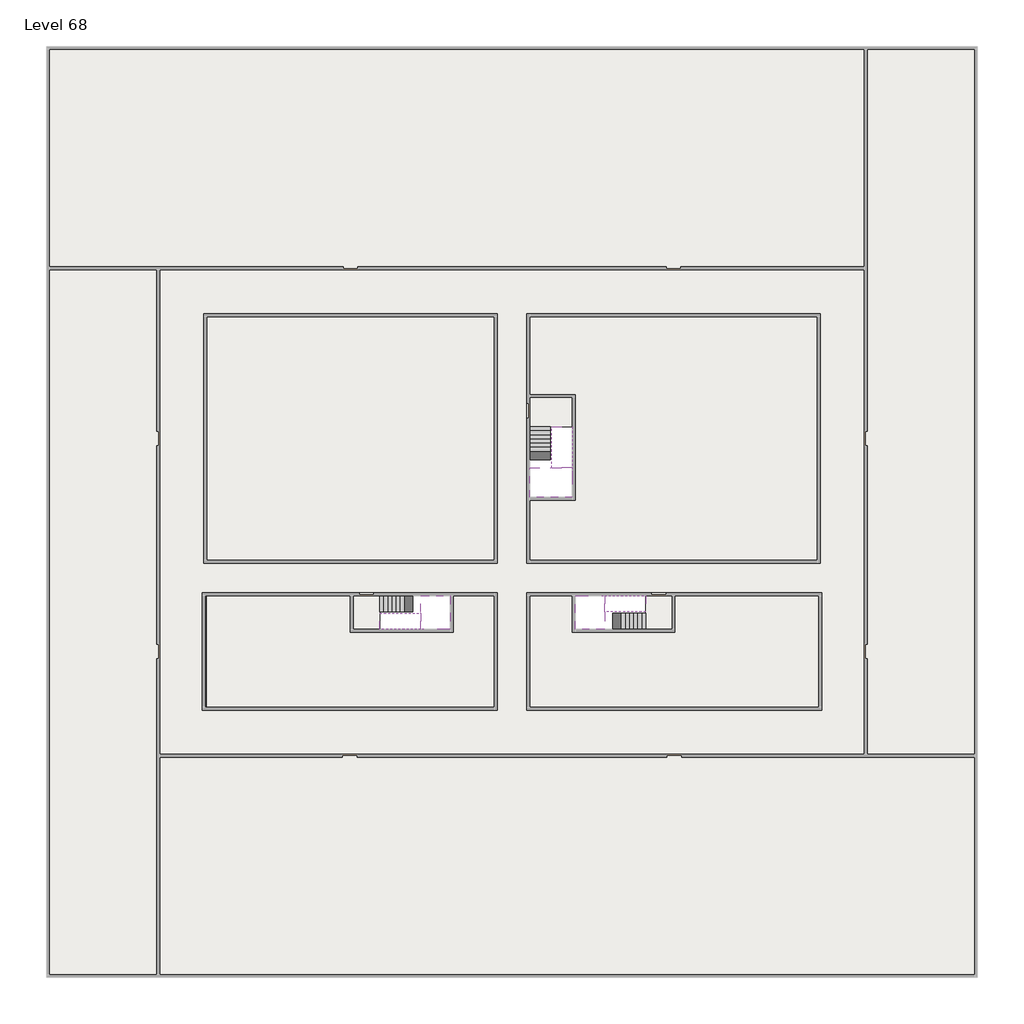
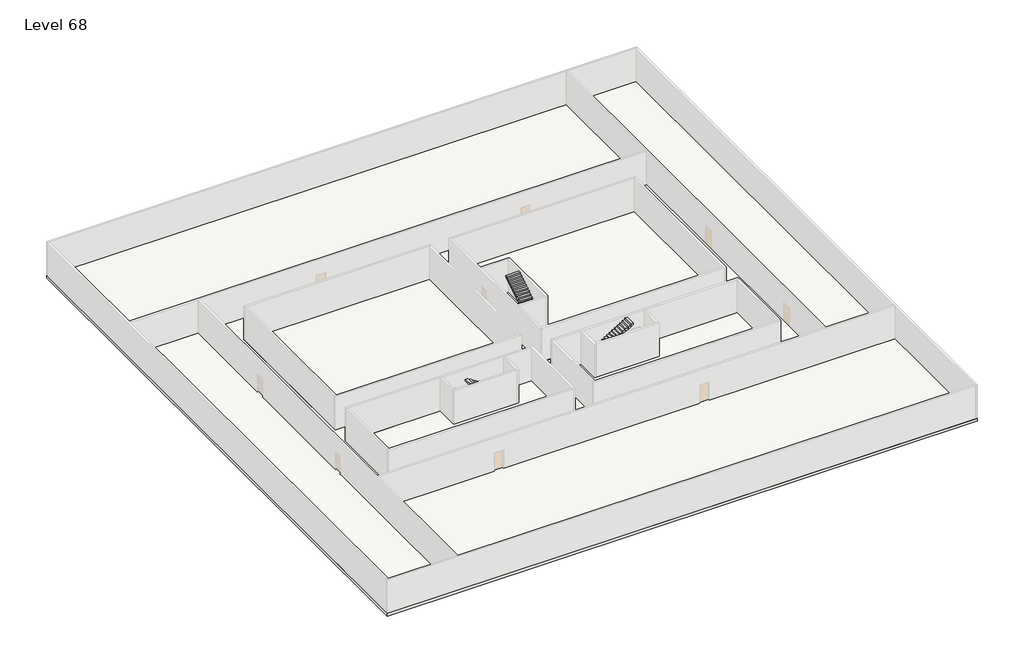
# One storey, part 2 of 2: 6 slabs, 6 stair flights.
"""IFC4 building model written with IfcOpenShell, lengths in millimetres."""

from ifc_helpers import new_model, si_unit, frame, origin, place, context, project, spatial, polyline, outline, extrude, faceted_brep, element, save

model = new_model("IFC4")

# Units and contexts
model_context = context("Model", 3, world=origin())
ifc_project = project(units=[si_unit("LENGTHUNIT", "METRE", prefix="MILLI")], contexts=[model_context])

# Site, building, storey
site = spatial("IfcSite", under=ifc_project)
building = spatial("IfcBuilding", under=site)
storey = spatial("IfcBuildingStorey", under=building, Name="Level 68", Elevation=254600.0)

# Slabs
placement = place(None, origin())
element("IfcSlab", 1, at=placement, inside=storey, context=model_context, shape_type="SweptSolid", body=[
    extrude(outline(polyline([(55890.1058784, -5518.09644), (55890.1058784, -68918.09644), (-7509.8941216, -68918.09644), (-7509.8941216, -5518.09644), (55890.1058784, -5518.09644)]), holes=[polyline([(23190.1058784, -23718.09644), (3190.1058784, -23718.09644), (3190.1058784, -40718.09644), (23190.1058784, -40718.09644), (23190.1058784, -23718.09644)]), polyline([(45190.1058784, -23718.09644), (25190.1058784, -23718.09644), (25190.1058784, -40718.09644), (45190.1058784, -40718.09644), (45190.1058784, -23718.09644)]), polyline([(23190.1058784, -50718.09644), (23190.1058784, -42718.09644), (3390.1058784, -42718.09644), (3390.1058784, -50718.09644), (23190.1058784, -50718.09644)]), polyline([(25190.1058784, -50718.09644), (45190.1058784, -50718.09644), (45190.1058784, -42718.09644), (25190.1058784, -42718.09644), (25190.1058784, -50718.09644)])]), frame((0.0, 0.0, 254300.0), z_axis=(0.0, 0.0, 1.0), x_axis=(1.0, 0.0, 0.0)), (0.0, 0.0, 1.0), 300.0),
])
element("IfcSlab", 2, at=placement, inside=storey, context=model_context, shape_type="Brep", body=[
    faceted_brep([(26790.1058784, -34218.09644, 256500.0), (25390.1058784, -34218.09644, 256500.0), (25390.1058784, -34297.4828763, 256500.0), (25390.1058784, -36218.09644, 256500.0), (28290.1058784, -36218.09644, 256500.0), (28290.1058784, -34418.7100038, 256500.0), (28290.1058784, -34218.09644, 256500.0), (26890.1058784, -34218.09644, 256500.0), (26790.1058784, -34218.09644, 256200.0), (26790.1058784, -34218.09644, 256151.0278478), (25390.1058784, -34218.09644, 256151.0278478), (25390.1058784, -34218.09644, 256327.2727273), (25390.1058784, -34297.4828763, 256200.0), (25390.1058784, -36218.09644, 256200.0), (28290.1058784, -36218.09644, 256200.0), (28290.1058784, -34418.7100038, 256200.0), (28290.1058784, -34218.09644, 256323.7551205), (26890.1058784, -34218.09644, 256323.7551205), (26890.1058784, -34218.09644, 256200.0), (26890.1058784, -34418.7100038, 256200.0), (26790.1058784, -34297.4828763, 256200.0)], [[[0, 1, 2, 3, 4, 5, 6, 7]], [[1, 0, 8, 9, 10, 11]], [[1, 11, 10, 12, 13, 3, 2]], [[4, 3, 13, 14]], [[4, 14, 15, 16, 6, 5]], [[7, 6, 16, 17]], [[0, 7, 17, 18, 8]], [[18, 19, 15, 14, 13, 12, 20, 8]], [[19, 18, 17]], [[20, 12, 10, 9]], [[8, 20, 9]], [[15, 19, 17, 16]]]),
])
element("IfcSlab", 3, at=placement, inside=storey, context=model_context, shape_type="SweptSolid", body=[
    extrude(outline(polyline([(22990.1058784, -23918.09644), (22990.1058784, -40518.09644), (3390.1058784, -40518.09644), (3390.1058784, -23918.09644), (22990.1058784, -23918.09644)])), frame((0.0, 0.0, 254300.0), z_axis=(0.0, 0.0, 1.0), x_axis=(1.0, 0.0, 0.0)), (0.0, 0.0, 1.0), 300.0),
    extrude(outline(polyline([(44990.1058784, -23918.09644), (44990.1058784, -40518.09644), (25390.1058784, -40518.09644), (25390.1058784, -36418.09644), (28490.1058784, -36418.09644), (28490.1058784, -29218.09644), (25390.1058784, -29218.09644), (25390.1058784, -23918.09644), (44990.1058784, -23918.09644)])), frame((0.0, 0.0, 254300.0), z_axis=(0.0, 0.0, 1.0), x_axis=(1.0, 0.0, 0.0)), (0.0, 0.0, 1.0), 300.0),
    extrude(outline(polyline([(22990.1058784, -42918.09644), (22990.1058784, -50518.09644), (3390.1058784, -50518.09644), (3390.1058784, -42918.09644), (13190.1058784, -42918.09644), (13190.1058784, -45418.09644), (20190.1058784, -45418.09644), (20190.1058784, -42918.09644), (22990.1058784, -42918.09644)])), frame((0.0, 0.0, 254300.0), z_axis=(0.0, 0.0, 1.0), x_axis=(1.0, 0.0, 0.0)), (0.0, 0.0, 1.0), 300.0),
    extrude(outline(polyline([(28290.1058784, -42918.09644), (28290.1058784, -45418.09644), (35290.1058784, -45418.09644), (35290.1058784, -42918.09644), (45090.1058784, -42918.09644), (45090.1058784, -50518.09644), (25390.1058784, -50518.09644), (25390.1058784, -42918.09644), (28290.1058784, -42918.09644)])), frame((0.0, 0.0, 254300.0), z_axis=(0.0, 0.0, 1.0), x_axis=(1.0, 0.0, 0.0)), (0.0, 0.0, 1.0), 300.0),
])
element("IfcSlab", 4, at=placement, inside=storey, context=model_context, shape_type="Brep", body=[
    faceted_brep([(30490.1058784, -45218.09644, 256500.0), (30490.1058784, -44118.09644, 256500.0), (30490.1058784, -44018.09644, 256500.0), (30490.1058784, -42918.09644, 256500.0), (30289.4923146, -42918.09644, 256500.0), (28490.1058784, -42918.09644, 256500.0), (28490.1058784, -45218.09644, 256500.0), (30410.7194421, -45218.09644, 256500.0), (30490.1058784, -45218.09644, 256327.2727273), (30490.1058784, -45218.09644, 256151.0278478), (30490.1058784, -44118.09644, 256151.0278478), (30490.1058784, -44118.09644, 256200.0), (30490.1058784, -44018.09644, 256200.0), (30490.1058784, -44018.09644, 256323.7551205), (30490.1058784, -42918.09644, 256323.7551205), (30289.4923146, -42918.09644, 256200.0), (28490.1058784, -42918.09644, 256200.0), (28490.1058784, -45218.09644, 256200.0), (30410.7194421, -45218.09644, 256200.0), (30289.4923146, -44018.09644, 256200.0), (30410.7194421, -44118.09644, 256200.0)], [[[0, 1, 2, 3, 4, 5, 6, 7]], [[1, 0, 8, 9, 10, 11]], [[2, 1, 11, 12, 13]], [[3, 2, 13, 14]], [[3, 14, 15, 16, 5, 4]], [[6, 5, 16, 17]], [[9, 8, 0, 7, 6, 17, 18]], [[19, 12, 11, 20, 18, 17, 16, 15]], [[12, 19, 13]], [[18, 20, 10, 9]], [[20, 11, 10]], [[19, 15, 14, 13]]]),
])
element("IfcSlab", 5, at=placement, inside=storey, context=model_context, shape_type="Brep", body=[
    faceted_brep([(17990.1058784, -42918.09644, 256500.0), (17990.1058784, -44018.09644, 256500.0), (17990.1058784, -44118.09644, 256500.0), (17990.1058784, -45218.09644, 256500.0), (18190.7194421, -45218.09644, 256500.0), (19990.1058784, -45218.09644, 256500.0), (19990.1058784, -42918.09644, 256500.0), (18069.4923146, -42918.09644, 256500.0), (17990.1058784, -42918.09644, 256327.2727273), (17990.1058784, -42918.09644, 256151.0278478), (17990.1058784, -44018.09644, 256151.0278478), (17990.1058784, -44018.09644, 256200.0), (17990.1058784, -44118.09644, 256200.0), (17990.1058784, -44118.09644, 256323.7551205), (17990.1058784, -45218.09644, 256323.7551205), (18190.7194421, -45218.09644, 256200.0), (19990.1058784, -45218.09644, 256200.0), (19990.1058784, -42918.09644, 256200.0), (18069.4923146, -42918.09644, 256200.0), (18190.7194421, -44118.09644, 256200.0), (18069.4923146, -44018.09644, 256200.0)], [[[0, 1, 2, 3, 4, 5, 6, 7]], [[1, 0, 8, 9, 10, 11]], [[2, 1, 11, 12, 13]], [[3, 2, 13, 14]], [[3, 14, 15, 16, 5, 4]], [[6, 5, 16, 17]], [[9, 8, 0, 7, 6, 17, 18]], [[19, 12, 11, 20, 18, 17, 16, 15]], [[12, 19, 13]], [[18, 20, 10, 9]], [[20, 11, 10]], [[19, 15, 14, 13]]]),
])
element("IfcSlab", 6, at=placement, inside=storey, context=model_context, shape_type="SweptSolid", body=[
    extrude(outline(polyline([(25190.1058784, -29418.09644), (28290.1058784, -29418.09644), (28290.1058784, -31418.09644), (25190.1058784, -31418.09644), (25190.1058784, -29418.09644)])), frame((0.0, 0.0, 254300.0), z_axis=(0.0, 0.0, 1.0), x_axis=(1.0, 0.0, 0.0)), (0.0, 0.0, 1.0), 300.0),
    extrude(outline(polyline([(15190.1058784, -45218.09644), (13390.1058784, -45218.09644), (13390.1058784, -42718.09644), (15190.1058784, -42718.09644), (15190.1058784, -45218.09644)])), frame((0.0, 0.0, 254300.0), z_axis=(0.0, 0.0, 1.0), x_axis=(1.0, 0.0, 0.0)), (0.0, 0.0, 1.0), 300.0),
    extrude(outline(polyline([(35090.1058784, -45218.09644), (33290.1058784, -45218.09644), (33290.1058784, -42718.09644), (35090.1058784, -42718.09644), (35090.1058784, -45218.09644)])), frame((0.0, 0.0, 254300.0), z_axis=(0.0, 0.0, 1.0), x_axis=(1.0, 0.0, 0.0)), (0.0, 0.0, 1.0), 300.0),
])

# Stair flights
element("IfcStairFlight", 7, at=placement, inside=storey, context=model_context, shape_type="Brep", body=[
    faceted_brep([(26790.1058784, -31698.09644, 254772.7272727), (26790.1058784, -31418.09644, 254772.7272727), (25390.1058784, -31418.09644, 254772.7272727), (25390.1058784, -31698.09644, 254772.7272727), (26790.1058784, -31698.09644, 254600.0), (26790.1058784, -31418.09644, 254600.0), (25390.1058784, -31418.09644, 254600.0), (25390.1058784, -31698.09644, 254600.0), (26790.1058784, -31978.09644, 254945.4545455), (26790.1058784, -31698.09644, 254945.4545455), (25390.1058784, -31698.09644, 254945.4545455), (25390.1058784, -31978.09644, 254945.4545455), (26790.1058784, -31978.09644, 254769.209666), (26790.1058784, -31703.7986657, 254600.0), (25390.1058784, -31703.7986657, 254600.0), (25390.1058784, -31978.09644, 254769.209666), (26790.1058784, -32258.09644, 255118.1818182), (26790.1058784, -31978.09644, 255118.1818182), (25390.1058784, -31978.09644, 255118.1818182), (25390.1058784, -32258.09644, 255118.1818182), (26790.1058784, -32258.09644, 254941.9369387), (25390.1058784, -32258.09644, 254941.9369387), (26790.1058784, -32538.09644, 255290.9090909), (26790.1058784, -32258.09644, 255290.9090909), (25390.1058784, -32258.09644, 255290.9090909), (25390.1058784, -32538.09644, 255290.9090909), (26790.1058784, -32538.09644, 255114.6642114), (25390.1058784, -32538.09644, 255114.6642114), (26790.1058784, -32818.09644, 255463.6363636), (26790.1058784, -32538.09644, 255463.6363636), (25390.1058784, -32538.09644, 255463.6363636), (25390.1058784, -32818.09644, 255463.6363636), (26790.1058784, -32818.09644, 255287.3914841), (25390.1058784, -32818.09644, 255287.3914841), (26790.1058784, -33098.09644, 255636.3636364), (26790.1058784, -32818.09644, 255636.3636364), (25390.1058784, -32818.09644, 255636.3636364), (25390.1058784, -33098.09644, 255636.3636364), (26790.1058784, -33098.09644, 255460.1187569), (25390.1058784, -33098.09644, 255460.1187569), (26790.1058784, -33378.09644, 255809.0909091), (26790.1058784, -33098.09644, 255809.0909091), (25390.1058784, -33098.09644, 255809.0909091), (25390.1058784, -33378.09644, 255809.0909091), (26790.1058784, -33378.09644, 255632.8460296), (25390.1058784, -33378.09644, 255632.8460296), (26790.1058784, -33658.09644, 255981.8181818), (26790.1058784, -33378.09644, 255981.8181818), (25390.1058784, -33378.09644, 255981.8181818), (25390.1058784, -33658.09644, 255981.8181818), (26790.1058784, -33658.09644, 255805.5733023), (25390.1058784, -33658.09644, 255805.5733023), (26790.1058784, -33938.09644, 256154.5454545), (26790.1058784, -33658.09644, 256154.5454545), (25390.1058784, -33658.09644, 256154.5454545), (25390.1058784, -33938.09644, 256154.5454545), (26790.1058784, -33938.09644, 255978.3005751), (25390.1058784, -33938.09644, 255978.3005751), (26790.1058784, -34218.09644, 256327.2727273), (26790.1058784, -33938.09644, 256327.2727273), (25390.1058784, -33938.09644, 256327.2727273), (25390.1058784, -34218.09644, 256327.2727273), (26790.1058784, -34218.09644, 256200.0), (26790.1058784, -34218.09644, 256151.0278478), (25390.1058784, -34218.09644, 256151.0278478)], [[[0, 1, 2, 3]], [[1, 0, 4, 5]], [[2, 1, 5, 6]], [[3, 2, 6, 7]], [[8, 9, 10, 11]], [[4, 0, 9, 8, 12, 13]], [[0, 3, 10, 9]], [[3, 7, 14, 15, 11, 10]], [[16, 17, 18, 19]], [[17, 16, 20, 12, 8]], [[8, 11, 18, 17]], [[19, 18, 11, 15, 21]], [[22, 23, 24, 25]], [[23, 22, 26, 20, 16]], [[16, 19, 24, 23]], [[25, 24, 19, 21, 27]], [[28, 29, 30, 31]], [[29, 28, 32, 26, 22]], [[22, 25, 30, 29]], [[31, 30, 25, 27, 33]], [[34, 35, 36, 37]], [[35, 34, 38, 32, 28]], [[28, 31, 36, 35]], [[37, 36, 31, 33, 39]], [[40, 41, 42, 43]], [[41, 40, 44, 38, 34]], [[34, 37, 42, 41]], [[43, 42, 37, 39, 45]], [[46, 47, 48, 49]], [[47, 46, 50, 44, 40]], [[40, 43, 48, 47]], [[49, 48, 43, 45, 51]], [[52, 53, 54, 55]], [[53, 52, 56, 50, 46]], [[46, 49, 54, 53]], [[55, 54, 49, 51, 57]], [[58, 59, 60, 61]], [[59, 58, 62, 63, 56, 52]], [[52, 55, 60, 59]], [[61, 60, 55, 57, 64]], [[58, 61, 64, 63, 62]], [[5, 4, 13, 14, 7, 6]], [[14, 13, 12, 20, 26, 32, 38, 44, 50, 56, 63, 64, 57, 51, 45, 39, 33, 27, 21, 15]]]),
])
element("IfcStairFlight", 8, at=placement, inside=storey, context=model_context, shape_type="Brep", body=[
    faceted_brep([(26890.1058784, -33938.09644, 256672.7272727), (26890.1058784, -34218.09644, 256672.7272727), (28290.1058784, -34218.09644, 256672.7272727), (28290.1058784, -33938.09644, 256672.7272727), (26890.1058784, -33938.09644, 256496.4823932), (26890.1058784, -34218.09644, 256323.7551205), (28290.1058784, -34218.09644, 256323.7551205), (28290.1058784, -34218.09644, 256500.0), (28290.1058784, -33938.09644, 256496.4823932), (26890.1058784, -33658.09644, 256845.4545455), (26890.1058784, -33938.09644, 256845.4545455), (28290.1058784, -33938.09644, 256845.4545455), (28290.1058784, -33658.09644, 256845.4545455), (26890.1058784, -33658.09644, 256669.209666), (28290.1058784, -33658.09644, 256669.209666), (26890.1058784, -33378.09644, 257018.1818182), (26890.1058784, -33658.09644, 257018.1818182), (28290.1058784, -33658.09644, 257018.1818182), (28290.1058784, -33378.09644, 257018.1818182), (26890.1058784, -33378.09644, 256841.9369387), (28290.1058784, -33378.09644, 256841.9369387), (26890.1058784, -33098.09644, 257190.9090909), (26890.1058784, -33378.09644, 257190.9090909), (28290.1058784, -33378.09644, 257190.9090909), (28290.1058784, -33098.09644, 257190.9090909), (26890.1058784, -33098.09644, 257014.6642114), (28290.1058784, -33098.09644, 257014.6642114), (26890.1058784, -32818.09644, 257363.6363636), (26890.1058784, -33098.09644, 257363.6363636), (28290.1058784, -33098.09644, 257363.6363636), (28290.1058784, -32818.09644, 257363.6363636), (26890.1058784, -32818.09644, 257187.3914841), (28290.1058784, -32818.09644, 257187.3914841), (26890.1058784, -32538.09644, 257536.3636364), (26890.1058784, -32818.09644, 257536.3636364), (28290.1058784, -32818.09644, 257536.3636364), (28290.1058784, -32538.09644, 257536.3636364), (26890.1058784, -32538.09644, 257360.1187569), (28290.1058784, -32538.09644, 257360.1187569), (26890.1058784, -32258.09644, 257709.0909091), (26890.1058784, -32538.09644, 257709.0909091), (28290.1058784, -32538.09644, 257709.0909091), (28290.1058784, -32258.09644, 257709.0909091), (26890.1058784, -32258.09644, 257532.8460296), (28290.1058784, -32258.09644, 257532.8460296), (26890.1058784, -31978.09644, 257881.8181818), (26890.1058784, -32258.09644, 257881.8181818), (28290.1058784, -32258.09644, 257881.8181818), (28290.1058784, -31978.09644, 257881.8181818), (26890.1058784, -31978.09644, 257705.5733023), (28290.1058784, -31978.09644, 257705.5733023), (26890.1058784, -31698.09644, 258054.5454545), (26890.1058784, -31978.09644, 258054.5454545), (28290.1058784, -31978.09644, 258054.5454545), (28290.1058784, -31698.09644, 258054.5454545), (26890.1058784, -31698.09644, 257878.3005751), (28290.1058784, -31698.09644, 257878.3005751), (26890.1058784, -31418.09644, 258227.2727273), (26890.1058784, -31698.09644, 258227.2727273), (28290.1058784, -31698.09644, 258227.2727273), (28290.1058784, -31418.09644, 258227.2727273), (26890.1058784, -31418.09644, 258051.0278478), (28290.1058784, -31418.09644, 258051.0278478)], [[[0, 1, 2, 3]], [[1, 0, 4, 5]], [[2, 1, 5, 6, 7]], [[3, 2, 7, 6, 8]], [[9, 10, 11, 12]], [[10, 9, 13, 4, 0]], [[11, 10, 0, 3]], [[12, 11, 3, 8, 14]], [[15, 16, 17, 18]], [[16, 15, 19, 13, 9]], [[17, 16, 9, 12]], [[18, 17, 12, 14, 20]], [[21, 22, 23, 24]], [[22, 21, 25, 19, 15]], [[23, 22, 15, 18]], [[24, 23, 18, 20, 26]], [[27, 28, 29, 30]], [[28, 27, 31, 25, 21]], [[29, 28, 21, 24]], [[30, 29, 24, 26, 32]], [[33, 34, 35, 36]], [[34, 33, 37, 31, 27]], [[35, 34, 27, 30]], [[36, 35, 30, 32, 38]], [[39, 40, 41, 42]], [[40, 39, 43, 37, 33]], [[41, 40, 33, 36]], [[42, 41, 36, 38, 44]], [[45, 46, 47, 48]], [[46, 45, 49, 43, 39]], [[47, 46, 39, 42]], [[48, 47, 42, 44, 50]], [[51, 52, 53, 54]], [[52, 51, 55, 49, 45]], [[53, 52, 45, 48]], [[54, 53, 48, 50, 56]], [[57, 58, 59, 60]], [[58, 57, 61, 55, 51]], [[59, 58, 51, 54]], [[60, 59, 54, 56, 62]], [[57, 60, 62, 61]], [[5, 4, 13, 19, 25, 31, 37, 43, 49, 55, 61, 62, 56, 50, 44, 38, 32, 26, 20, 14, 8, 6]]]),
])
element("IfcStairFlight", 9, at=placement, inside=storey, context=model_context, shape_type="Brep", body=[
    faceted_brep([(33010.1058784, -45218.09644, 254772.7272727), (33290.1058784, -45218.09644, 254772.7272727), (33290.1058784, -44118.09644, 254772.7272727), (33010.1058784, -44118.09644, 254772.7272727), (33010.1058784, -45218.09644, 254600.0), (33290.1058784, -45218.09644, 254600.0), (33290.1058784, -44118.09644, 254600.0), (33010.1058784, -44118.09644, 254600.0), (32730.1058784, -45218.09644, 254945.4545455), (33010.1058784, -45218.09644, 254945.4545455), (33010.1058784, -44118.09644, 254945.4545455), (32730.1058784, -44118.09644, 254945.4545455), (32730.1058784, -45218.09644, 254769.209666), (33004.4036527, -45218.09644, 254600.0), (33004.4036527, -44118.09644, 254600.0), (32730.1058784, -44118.09644, 254769.209666), (32450.1058784, -45218.09644, 255118.1818182), (32730.1058784, -45218.09644, 255118.1818182), (32730.1058784, -44118.09644, 255118.1818182), (32450.1058784, -44118.09644, 255118.1818182), (32450.1058784, -45218.09644, 254941.9369387), (32450.1058784, -44118.09644, 254941.9369387), (32170.1058784, -45218.09644, 255290.9090909), (32450.1058784, -45218.09644, 255290.9090909), (32450.1058784, -44118.09644, 255290.9090909), (32170.1058784, -44118.09644, 255290.9090909), (32170.1058784, -45218.09644, 255114.6642114), (32170.1058784, -44118.09644, 255114.6642114), (31890.1058784, -45218.09644, 255463.6363636), (32170.1058784, -45218.09644, 255463.6363636), (32170.1058784, -44118.09644, 255463.6363636), (31890.1058784, -44118.09644, 255463.6363636), (31890.1058784, -45218.09644, 255287.3914841), (31890.1058784, -44118.09644, 255287.3914841), (31610.1058784, -45218.09644, 255636.3636364), (31890.1058784, -45218.09644, 255636.3636364), (31890.1058784, -44118.09644, 255636.3636364), (31610.1058784, -44118.09644, 255636.3636364), (31610.1058784, -45218.09644, 255460.1187569), (31610.1058784, -44118.09644, 255460.1187569), (31330.1058784, -45218.09644, 255809.0909091), (31610.1058784, -45218.09644, 255809.0909091), (31610.1058784, -44118.09644, 255809.0909091), (31330.1058784, -44118.09644, 255809.0909091), (31330.1058784, -45218.09644, 255632.8460296), (31330.1058784, -44118.09644, 255632.8460296), (31050.1058784, -45218.09644, 255981.8181818), (31330.1058784, -45218.09644, 255981.8181818), (31330.1058784, -44118.09644, 255981.8181818), (31050.1058784, -44118.09644, 255981.8181818), (31050.1058784, -45218.09644, 255805.5733023), (31050.1058784, -44118.09644, 255805.5733023), (30770.1058784, -45218.09644, 256154.5454545), (31050.1058784, -45218.09644, 256154.5454545), (31050.1058784, -44118.09644, 256154.5454545), (30770.1058784, -44118.09644, 256154.5454545), (30770.1058784, -45218.09644, 255978.3005751), (30770.1058784, -44118.09644, 255978.3005751), (30490.1058784, -45218.09644, 256327.2727273), (30770.1058784, -45218.09644, 256327.2727273), (30770.1058784, -44118.09644, 256327.2727273), (30490.1058784, -44118.09644, 256327.2727273), (30490.1058784, -45218.09644, 256151.0278478), (30490.1058784, -44118.09644, 256151.0278478), (30490.1058784, -44118.09644, 256200.0)], [[[0, 1, 2, 3]], [[1, 0, 4, 5]], [[2, 1, 5, 6]], [[3, 2, 6, 7]], [[8, 9, 10, 11]], [[4, 0, 9, 8, 12, 13]], [[0, 3, 10, 9]], [[3, 7, 14, 15, 11, 10]], [[16, 17, 18, 19]], [[17, 16, 20, 12, 8]], [[8, 11, 18, 17]], [[19, 18, 11, 15, 21]], [[22, 23, 24, 25]], [[23, 22, 26, 20, 16]], [[16, 19, 24, 23]], [[25, 24, 19, 21, 27]], [[28, 29, 30, 31]], [[29, 28, 32, 26, 22]], [[22, 25, 30, 29]], [[31, 30, 25, 27, 33]], [[34, 35, 36, 37]], [[35, 34, 38, 32, 28]], [[28, 31, 36, 35]], [[37, 36, 31, 33, 39]], [[40, 41, 42, 43]], [[41, 40, 44, 38, 34]], [[34, 37, 42, 41]], [[43, 42, 37, 39, 45]], [[46, 47, 48, 49]], [[47, 46, 50, 44, 40]], [[40, 43, 48, 47]], [[49, 48, 43, 45, 51]], [[52, 53, 54, 55]], [[53, 52, 56, 50, 46]], [[46, 49, 54, 53]], [[55, 54, 49, 51, 57]], [[58, 59, 60, 61]], [[59, 58, 62, 56, 52]], [[52, 55, 60, 59]], [[61, 60, 55, 57, 63, 64]], [[58, 61, 64, 63, 62]], [[5, 4, 13, 14, 7, 6]], [[14, 13, 12, 20, 26, 32, 38, 44, 50, 56, 62, 63, 57, 51, 45, 39, 33, 27, 21, 15]]]),
])
element("IfcStairFlight", 10, at=placement, inside=storey, context=model_context, shape_type="Brep", body=[
    faceted_brep([(30770.1058784, -42918.09644, 256672.7272727), (30490.1058784, -42918.09644, 256672.7272727), (30490.1058784, -44018.09644, 256672.7272727), (30770.1058784, -44018.09644, 256672.7272727), (30770.1058784, -42918.09644, 256496.4823932), (30490.1058784, -42918.09644, 256323.7551205), (30490.1058784, -42918.09644, 256500.0), (30490.1058784, -44018.09644, 256323.7551205), (30770.1058784, -44018.09644, 256496.4823932), (31050.1058784, -42918.09644, 256845.4545455), (30770.1058784, -42918.09644, 256845.4545455), (30770.1058784, -44018.09644, 256845.4545455), (31050.1058784, -44018.09644, 256845.4545455), (31050.1058784, -42918.09644, 256669.209666), (31050.1058784, -44018.09644, 256669.209666), (31330.1058784, -42918.09644, 257018.1818182), (31050.1058784, -42918.09644, 257018.1818182), (31050.1058784, -44018.09644, 257018.1818182), (31330.1058784, -44018.09644, 257018.1818182), (31330.1058784, -42918.09644, 256841.9369387), (31330.1058784, -44018.09644, 256841.9369387), (31610.1058784, -42918.09644, 257190.9090909), (31330.1058784, -42918.09644, 257190.9090909), (31330.1058784, -44018.09644, 257190.9090909), (31610.1058784, -44018.09644, 257190.9090909), (31610.1058784, -42918.09644, 257014.6642114), (31610.1058784, -44018.09644, 257014.6642114), (31890.1058784, -42918.09644, 257363.6363636), (31610.1058784, -42918.09644, 257363.6363636), (31610.1058784, -44018.09644, 257363.6363636), (31890.1058784, -44018.09644, 257363.6363636), (31890.1058784, -42918.09644, 257187.3914841), (31890.1058784, -44018.09644, 257187.3914841), (32170.1058784, -42918.09644, 257536.3636364), (31890.1058784, -42918.09644, 257536.3636364), (31890.1058784, -44018.09644, 257536.3636364), (32170.1058784, -44018.09644, 257536.3636364), (32170.1058784, -42918.09644, 257360.1187569), (32170.1058784, -44018.09644, 257360.1187569), (32450.1058784, -42918.09644, 257709.0909091), (32170.1058784, -42918.09644, 257709.0909091), (32170.1058784, -44018.09644, 257709.0909091), (32450.1058784, -44018.09644, 257709.0909091), (32450.1058784, -42918.09644, 257532.8460296), (32450.1058784, -44018.09644, 257532.8460296), (32730.1058784, -42918.09644, 257881.8181818), (32450.1058784, -42918.09644, 257881.8181818), (32450.1058784, -44018.09644, 257881.8181818), (32730.1058784, -44018.09644, 257881.8181818), (32730.1058784, -42918.09644, 257705.5733023), (32730.1058784, -44018.09644, 257705.5733023), (33010.1058784, -42918.09644, 258054.5454545), (32730.1058784, -42918.09644, 258054.5454545), (32730.1058784, -44018.09644, 258054.5454545), (33010.1058784, -44018.09644, 258054.5454545), (33010.1058784, -42918.09644, 257878.3005751), (33010.1058784, -44018.09644, 257878.3005751), (33290.1058784, -42918.09644, 258227.2727273), (33010.1058784, -42918.09644, 258227.2727273), (33010.1058784, -44018.09644, 258227.2727273), (33290.1058784, -44018.09644, 258227.2727273), (33290.1058784, -42918.09644, 258051.0278478), (33290.1058784, -44018.09644, 258051.0278478)], [[[0, 1, 2, 3]], [[1, 0, 4, 5, 6]], [[2, 1, 6, 5, 7]], [[3, 2, 7, 8]], [[9, 10, 11, 12]], [[10, 9, 13, 4, 0]], [[11, 10, 0, 3]], [[12, 11, 3, 8, 14]], [[15, 16, 17, 18]], [[16, 15, 19, 13, 9]], [[17, 16, 9, 12]], [[18, 17, 12, 14, 20]], [[21, 22, 23, 24]], [[22, 21, 25, 19, 15]], [[23, 22, 15, 18]], [[24, 23, 18, 20, 26]], [[27, 28, 29, 30]], [[28, 27, 31, 25, 21]], [[29, 28, 21, 24]], [[30, 29, 24, 26, 32]], [[33, 34, 35, 36]], [[34, 33, 37, 31, 27]], [[35, 34, 27, 30]], [[36, 35, 30, 32, 38]], [[39, 40, 41, 42]], [[40, 39, 43, 37, 33]], [[41, 40, 33, 36]], [[42, 41, 36, 38, 44]], [[45, 46, 47, 48]], [[46, 45, 49, 43, 39]], [[47, 46, 39, 42]], [[48, 47, 42, 44, 50]], [[51, 52, 53, 54]], [[52, 51, 55, 49, 45]], [[53, 52, 45, 48]], [[54, 53, 48, 50, 56]], [[57, 58, 59, 60]], [[58, 57, 61, 55, 51]], [[59, 58, 51, 54]], [[60, 59, 54, 56, 62]], [[57, 60, 62, 61]], [[5, 4, 13, 19, 25, 31, 37, 43, 49, 55, 61, 62, 56, 50, 44, 38, 32, 26, 20, 14, 8, 7]]]),
])
element("IfcStairFlight", 11, at=placement, inside=storey, context=model_context, shape_type="Brep", body=[
    faceted_brep([(15470.1058784, -42918.09644, 254772.7272727), (15190.1058784, -42918.09644, 254772.7272727), (15190.1058784, -44018.09644, 254772.7272727), (15470.1058784, -44018.09644, 254772.7272727), (15470.1058784, -42918.09644, 254600.0), (15190.1058784, -42918.09644, 254600.0), (15190.1058784, -44018.09644, 254600.0), (15470.1058784, -44018.09644, 254600.0), (15750.1058784, -42918.09644, 254945.4545455), (15470.1058784, -42918.09644, 254945.4545455), (15470.1058784, -44018.09644, 254945.4545455), (15750.1058784, -44018.09644, 254945.4545455), (15750.1058784, -42918.09644, 254769.209666), (15475.8081041, -42918.09644, 254600.0), (15475.8081041, -44018.09644, 254600.0), (15750.1058784, -44018.09644, 254769.209666), (16030.1058784, -42918.09644, 255118.1818182), (15750.1058784, -42918.09644, 255118.1818182), (15750.1058784, -44018.09644, 255118.1818182), (16030.1058784, -44018.09644, 255118.1818182), (16030.1058784, -42918.09644, 254941.9369387), (16030.1058784, -44018.09644, 254941.9369387), (16310.1058784, -42918.09644, 255290.9090909), (16030.1058784, -42918.09644, 255290.9090909), (16030.1058784, -44018.09644, 255290.9090909), (16310.1058784, -44018.09644, 255290.9090909), (16310.1058784, -42918.09644, 255114.6642114), (16310.1058784, -44018.09644, 255114.6642114), (16590.1058784, -42918.09644, 255463.6363636), (16310.1058784, -42918.09644, 255463.6363636), (16310.1058784, -44018.09644, 255463.6363636), (16590.1058784, -44018.09644, 255463.6363636), (16590.1058784, -42918.09644, 255287.3914841), (16590.1058784, -44018.09644, 255287.3914841), (16870.1058784, -42918.09644, 255636.3636364), (16590.1058784, -42918.09644, 255636.3636364), (16590.1058784, -44018.09644, 255636.3636364), (16870.1058784, -44018.09644, 255636.3636364), (16870.1058784, -42918.09644, 255460.1187569), (16870.1058784, -44018.09644, 255460.1187569), (17150.1058784, -42918.09644, 255809.0909091), (16870.1058784, -42918.09644, 255809.0909091), (16870.1058784, -44018.09644, 255809.0909091), (17150.1058784, -44018.09644, 255809.0909091), (17150.1058784, -42918.09644, 255632.8460296), (17150.1058784, -44018.09644, 255632.8460296), (17430.1058784, -42918.09644, 255981.8181818), (17150.1058784, -42918.09644, 255981.8181818), (17150.1058784, -44018.09644, 255981.8181818), (17430.1058784, -44018.09644, 255981.8181818), (17430.1058784, -42918.09644, 255805.5733023), (17430.1058784, -44018.09644, 255805.5733023), (17710.1058784, -42918.09644, 256154.5454545), (17430.1058784, -42918.09644, 256154.5454545), (17430.1058784, -44018.09644, 256154.5454545), (17710.1058784, -44018.09644, 256154.5454545), (17710.1058784, -42918.09644, 255978.3005751), (17710.1058784, -44018.09644, 255978.3005751), (17990.1058784, -42918.09644, 256327.2727273), (17710.1058784, -42918.09644, 256327.2727273), (17710.1058784, -44018.09644, 256327.2727273), (17990.1058784, -44018.09644, 256327.2727273), (17990.1058784, -42918.09644, 256151.0278478), (17990.1058784, -44018.09644, 256151.0278478), (17990.1058784, -44018.09644, 256200.0)], [[[0, 1, 2, 3]], [[1, 0, 4, 5]], [[2, 1, 5, 6]], [[3, 2, 6, 7]], [[8, 9, 10, 11]], [[4, 0, 9, 8, 12, 13]], [[0, 3, 10, 9]], [[3, 7, 14, 15, 11, 10]], [[16, 17, 18, 19]], [[17, 16, 20, 12, 8]], [[8, 11, 18, 17]], [[19, 18, 11, 15, 21]], [[22, 23, 24, 25]], [[23, 22, 26, 20, 16]], [[16, 19, 24, 23]], [[25, 24, 19, 21, 27]], [[28, 29, 30, 31]], [[29, 28, 32, 26, 22]], [[22, 25, 30, 29]], [[31, 30, 25, 27, 33]], [[34, 35, 36, 37]], [[35, 34, 38, 32, 28]], [[28, 31, 36, 35]], [[37, 36, 31, 33, 39]], [[40, 41, 42, 43]], [[41, 40, 44, 38, 34]], [[34, 37, 42, 41]], [[43, 42, 37, 39, 45]], [[46, 47, 48, 49]], [[47, 46, 50, 44, 40]], [[40, 43, 48, 47]], [[49, 48, 43, 45, 51]], [[52, 53, 54, 55]], [[53, 52, 56, 50, 46]], [[46, 49, 54, 53]], [[55, 54, 49, 51, 57]], [[58, 59, 60, 61]], [[59, 58, 62, 56, 52]], [[52, 55, 60, 59]], [[61, 60, 55, 57, 63, 64]], [[58, 61, 64, 63, 62]], [[5, 4, 13, 14, 7, 6]], [[14, 13, 12, 20, 26, 32, 38, 44, 50, 56, 62, 63, 57, 51, 45, 39, 33, 27, 21, 15]]]),
])
element("IfcStairFlight", 12, at=placement, inside=storey, context=model_context, shape_type="Brep", body=[
    faceted_brep([(17710.1058784, -45218.09644, 256672.7272727), (17990.1058784, -45218.09644, 256672.7272727), (17990.1058784, -44118.09644, 256672.7272727), (17710.1058784, -44118.09644, 256672.7272727), (17710.1058784, -45218.09644, 256496.4823932), (17990.1058784, -45218.09644, 256323.7551205), (17990.1058784, -45218.09644, 256500.0), (17990.1058784, -44118.09644, 256323.7551205), (17710.1058784, -44118.09644, 256496.4823932), (17430.1058784, -45218.09644, 256845.4545455), (17710.1058784, -45218.09644, 256845.4545455), (17710.1058784, -44118.09644, 256845.4545455), (17430.1058784, -44118.09644, 256845.4545455), (17430.1058784, -45218.09644, 256669.209666), (17430.1058784, -44118.09644, 256669.209666), (17150.1058784, -45218.09644, 257018.1818182), (17430.1058784, -45218.09644, 257018.1818182), (17430.1058784, -44118.09644, 257018.1818182), (17150.1058784, -44118.09644, 257018.1818182), (17150.1058784, -45218.09644, 256841.9369387), (17150.1058784, -44118.09644, 256841.9369387), (16870.1058784, -45218.09644, 257190.9090909), (17150.1058784, -45218.09644, 257190.9090909), (17150.1058784, -44118.09644, 257190.9090909), (16870.1058784, -44118.09644, 257190.9090909), (16870.1058784, -45218.09644, 257014.6642114), (16870.1058784, -44118.09644, 257014.6642114), (16590.1058784, -45218.09644, 257363.6363636), (16870.1058784, -45218.09644, 257363.6363636), (16870.1058784, -44118.09644, 257363.6363636), (16590.1058784, -44118.09644, 257363.6363636), (16590.1058784, -45218.09644, 257187.3914841), (16590.1058784, -44118.09644, 257187.3914841), (16310.1058784, -45218.09644, 257536.3636364), (16590.1058784, -45218.09644, 257536.3636364), (16590.1058784, -44118.09644, 257536.3636364), (16310.1058784, -44118.09644, 257536.3636364), (16310.1058784, -45218.09644, 257360.1187569), (16310.1058784, -44118.09644, 257360.1187569), (16030.1058784, -45218.09644, 257709.0909091), (16310.1058784, -45218.09644, 257709.0909091), (16310.1058784, -44118.09644, 257709.0909091), (16030.1058784, -44118.09644, 257709.0909091), (16030.1058784, -45218.09644, 257532.8460296), (16030.1058784, -44118.09644, 257532.8460296), (15750.1058784, -45218.09644, 257881.8181818), (16030.1058784, -45218.09644, 257881.8181818), (16030.1058784, -44118.09644, 257881.8181818), (15750.1058784, -44118.09644, 257881.8181818), (15750.1058784, -45218.09644, 257705.5733023), (15750.1058784, -44118.09644, 257705.5733023), (15470.1058784, -45218.09644, 258054.5454545), (15750.1058784, -45218.09644, 258054.5454545), (15750.1058784, -44118.09644, 258054.5454545), (15470.1058784, -44118.09644, 258054.5454545), (15470.1058784, -45218.09644, 257878.3005751), (15470.1058784, -44118.09644, 257878.3005751), (15190.1058784, -45218.09644, 258227.2727273), (15470.1058784, -45218.09644, 258227.2727273), (15470.1058784, -44118.09644, 258227.2727273), (15190.1058784, -44118.09644, 258227.2727273), (15190.1058784, -45218.09644, 258051.0278478), (15190.1058784, -44118.09644, 258051.0278478)], [[[0, 1, 2, 3]], [[1, 0, 4, 5, 6]], [[2, 1, 6, 5, 7]], [[3, 2, 7, 8]], [[9, 10, 11, 12]], [[10, 9, 13, 4, 0]], [[11, 10, 0, 3]], [[12, 11, 3, 8, 14]], [[15, 16, 17, 18]], [[16, 15, 19, 13, 9]], [[17, 16, 9, 12]], [[18, 17, 12, 14, 20]], [[21, 22, 23, 24]], [[22, 21, 25, 19, 15]], [[23, 22, 15, 18]], [[24, 23, 18, 20, 26]], [[27, 28, 29, 30]], [[28, 27, 31, 25, 21]], [[29, 28, 21, 24]], [[30, 29, 24, 26, 32]], [[33, 34, 35, 36]], [[34, 33, 37, 31, 27]], [[35, 34, 27, 30]], [[36, 35, 30, 32, 38]], [[39, 40, 41, 42]], [[40, 39, 43, 37, 33]], [[41, 40, 33, 36]], [[42, 41, 36, 38, 44]], [[45, 46, 47, 48]], [[46, 45, 49, 43, 39]], [[47, 46, 39, 42]], [[48, 47, 42, 44, 50]], [[51, 52, 53, 54]], [[52, 51, 55, 49, 45]], [[53, 52, 45, 48]], [[54, 53, 48, 50, 56]], [[57, 58, 59, 60]], [[58, 57, 61, 55, 51]], [[59, 58, 51, 54]], [[60, 59, 54, 56, 62]], [[57, 60, 62, 61]], [[5, 4, 13, 19, 25, 31, 37, 43, 49, 55, 61, 62, 56, 50, 44, 38, 32, 26, 20, 14, 8, 7]]]),
])

save(model, "model.ifc")
